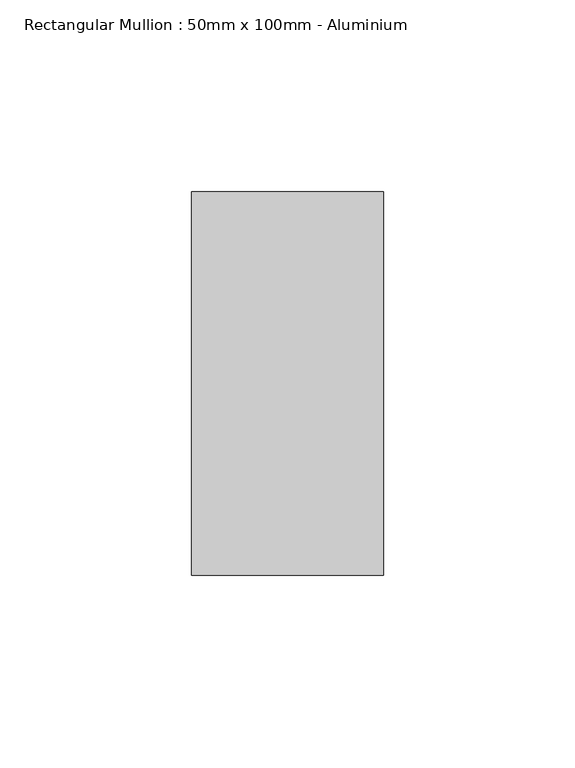
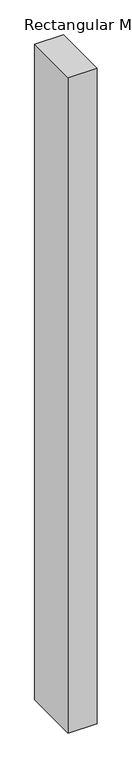
"""IFC4 building model written with IfcOpenShell, lengths in millimetres: member geometry, Rectangular Mullion : 50mm x 100mm - Aluminium."""

from ifc_helpers import new_model, si_unit, frame, origin, place, context, project, spatial, polyline, outline, extrude, source, transform, mapped, element, save


def rectangular_mullion_50mm_x_100mm_aluminium_98f73906(model_context):
    return source(origin(), model_context, "Body", "SweptSolid", [
        extrude(outline(polyline([(0.0, 50.0), (0.0, -50.0), (-50.0, -50.0), (-50.0, 50.0), (0.0, 50.0)])), frame((0.0, 0.0, -1200.0), z_axis=(0.0, 0.0, 1.0), x_axis=(1.0, 0.0, 0.0)), (0.0, 0.0, 1.0), 1200.0),
    ])


if __name__ == "__main__":
    model = new_model("IFC4")
    model_context = context("Model", 3, world=origin())
    ifc_project = project(units=[si_unit("LENGTHUNIT", "METRE", prefix="MILLI")], contexts=[model_context])
    site = spatial("IfcSite", under=ifc_project)
    building = spatial("IfcBuilding", under=site)
    placement = place(None, origin())
    rectangular_mullion_50mm_x_100mm_aluminium_shape = rectangular_mullion_50mm_x_100mm_aluminium_98f73906(model_context)
    element("IfcMember", 1, ObjectType="Rectangular Mullion : 50mm x 100mm - Aluminium", at=placement, inside=building, context=model_context, shape_type="MappedRepresentation", body=[
        mapped(rectangular_mullion_50mm_x_100mm_aluminium_shape, transform((0.0, 0.0, 0.0), x_axis=(1.0, 0.0, 0.0), y_axis=(0.0, 1.0, 0.0), z_axis=(0.0, 0.0, 1.0))),
    ])
    save(model, "model.ifc")
